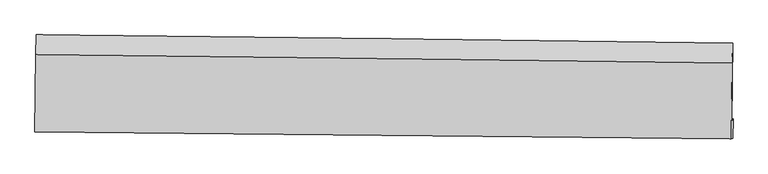
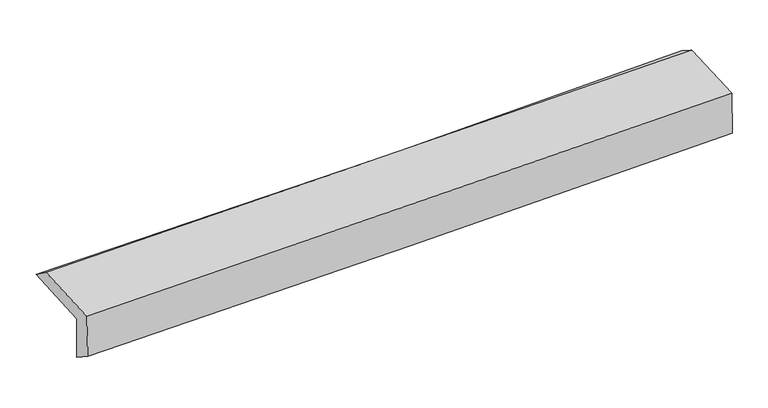
"""IFC4 building model written with IfcOpenShell, lengths in millimetres: proxy geometry."""

from ifc_helpers import new_model, si_unit, frame, origin, place, context, project, spatial, source, transform, mapped, element, save
from ifc_brep_helpers import plane_surface, spline_curve, spline_surface, advanced_brep


def generic_models_de7e47bc(model_context):
    return source(origin(), model_context, "Body", "AdvancedBrep", [
        advanced_brep(
        [(-3021.2626208, -1761.6851206, 1955.0847948), (-3014.7598843, -1088.1606537, 1982.5441311), (3006.088465, -1161.4581224, 2144.7885498), (2999.9144127, -1835.0195832, 2117.3361199), (-3011.0719759, -1742.9070124, 1557.7103111), (3010.2317792, -1816.0055194, 1714.9687015), (-3016.1367512, -1929.3475019, 1679.9698801), (3005.646355, -1987.4021017, 1827.7903266), (-3026.2737356, -1931.6647787, 2082.2025864), (2995.5013338, -1989.7195856, 2230.0711676), (-3019.798143, -1260.95176, 2109.547301), (3001.5151154, -1333.6429377, 2256.8109668)],
        [
            (0, 1),
            (1, 2, spline_curve(3, [(-3014.7598843, -1088.1606537, 1982.5441311), (-2010.707679136, -1096.915175533, 1988.436352562), (-1006.949288181, -1107.400479614, 2004.902587525), (1000.000173763, -1131.832899011, 2058.983632506), (2003.1912323, -1145.78008462, 2096.598870074), (3006.088465, -1161.4581224, 2144.7885498)], [4, 2, 4], [0.0, 9.881782183058515, 19.763764350336075])),
            (2, 3),
            (3, 0, spline_curve(3, [(2999.9144127, -1835.0195832, 2117.3361199), (1996.994264671, -1815.949004614, 2069.283329344), (993.76435759, -1800.302482852, 2031.735959775), (-1013.294666099, -1775.857800697, 1977.65260968), (-2017.123770194, -1767.05950143, 1961.116204458), (-3021.2626208, -1761.6851206, 1955.0847948)], [4, 2, 4], [0.0, 9.88198216727756, 19.763764350336075])),
            (4, 0),
            (3, 5),
            (5, 4, spline_curve(3, [(3010.2317792, -1816.0055194, 1714.9687015), (2007.333192399, -1796.895618376, 1666.08374078), (1004.103505502, -1781.249098882, 1628.536376815), (-1002.997759584, -1756.883069871, 1576.117372399), (-2006.869324192, -1748.163420562, 1561.245272868), (-3011.0719759, -1742.9070124, 1557.7103111)], [4, 2, 4], [0.0, 9.882309763921583, 19.764419536994467])),
            (6, 4),
            (5, 7),
            (7, 6, spline_curve(3, [(3005.646355, -1987.4021017, 1827.7903266), (2002.282280873, -1976.286205928, 1793.580887982), (998.7799059, -1965.890333091, 1764.157722038), (-1008.481135365, -1946.538828922, 1714.884433345), (-2012.23979559, -1937.583168756, 1695.034117581), (-3016.1367512, -1929.3475019, 1679.9698801)], [4, 2, 4], [0.0, 9.882053531753808, 19.76390707784435])),
            (8, 6),
            (7, 9),
            (9, 8, spline_curve(3, [(2995.5013338, -1989.7195856, 2230.0711676), (1991.970130678, -1978.642152819, 2202.53624388), (988.384861841, -1968.265494069, 2176.446290009), (-1018.873496933, -1948.913919945, 2127.156821738), (-2022.546584441, -1939.938976734, 2103.957248067), (-3026.2737356, -1931.6647787, 2082.2025864)], [4, 2, 4], [0.0, 9.881841317269462, 19.7634826531703])),
            (10, 8),
            (9, 11),
            (11, 10, spline_curve(3, [(3001.5151154, -1333.6429377, 2256.8109668), (1998.072092286, -1318.808023351, 2229.430561352), (994.569397771, -1305.332920383, 2203.468276932), (-1012.535024021, -1281.102582797, 2154.380445574), (-2016.136749042, -1270.347293281, 2131.254841619), (-3019.798143, -1260.95176, 2109.547301)], [4, 2, 4], [0.0, 9.881523840849475, 19.762847706755178])),
            (1, 10),
            (11, 2),
        ],
        [
            spline_surface(3, 3, [[(-3021.2626208, -1761.6851206, 1955.0847948), (-2017.123770136, -1767.059501444, 1961.116204409), (-1013.294666122, -1775.857800645, 1977.65260981), (993.764357613, -1800.302482904, 2031.735959645), (1996.994264703, -1815.949004614, 2069.283329278), (2999.9144127, -1835.0195832, 2117.3361199)], [(-3019.09504194, -1537.176964966, 1964.237906906), (-2014.985073108, -1543.678059467, 1970.222920421), (-1011.17954009, -1553.03869361, 1986.735935699), (995.842962954, -1577.479288285, 2040.81851723), (1999.059920564, -1592.559364625, 2078.388509611), (3001.972430131, -1610.499096284, 2126.486929885)], [(-3016.92746316, -1312.668809334, 1973.391018994), (-2012.846376158, -1320.296617491, 1979.329636413), (-1009.064414072, -1330.219586594, 1995.819261666), (997.921568281, -1354.656093685, 2049.901074892), (2001.125576431, -1369.169724585, 2087.493689888), (3004.030447569, -1385.978609316, 2135.637739815)], [(-3014.7598843, -1088.1606537, 1982.5441311), (-2010.70767913, -1096.915175513, 1988.436352424), (-1006.94928804, -1107.400479559, 2004.902587555), (1000.000173622, -1131.832899066, 2058.983632476), (2003.191232292, -1145.780084597, 2096.598870221), (3006.088465, -1161.4581224, 2144.7885498)]], [4, 4], [4, 2, 4], [0.0, 2.195039937041515], [0.0, 9.881782183058515, 19.763764350336075]),
            spline_surface(3, 3, [[(-3011.0719759, -1742.9070124, 1557.7103111), (-2006.869324304, -1748.1634204, 1561.245272872), (-1002.997759604, -1756.883069971, 1576.117372308), (1004.103505522, -1781.249098782, 1628.536376906), (2007.333192472, -1796.895618234, 1666.083740916), (3010.2317792, -1816.0055194, 1714.9687015)], [(-3014.468857533, -1749.166381812, 1690.168472335), (-2010.287472914, -1754.462114093, 1694.535583387), (-1006.430061783, -1763.207980193, 1709.962451495), (1000.657122879, -1787.60022682, 1762.936237839), (2003.886883223, -1803.246747029, 1800.483603695), (3006.79265704, -1822.343540668, 1849.091174292)], [(-3017.865739167, -1755.425751188, 1822.626633565), (-2013.705621525, -1760.760807751, 1827.825893895), (-1009.862363943, -1769.532890423, 1843.807530623), (997.210740256, -1793.951354867, 1897.336098712), (2000.440573953, -1809.59787582, 1934.883466499), (3003.35353486, -1828.681561932, 1983.213647108)], [(-3021.2626208, -1761.6851206, 1955.0847948), (-2017.123770136, -1767.059501444, 1961.116204409), (-1013.294666122, -1775.857800645, 1977.65260981), (993.764357613, -1800.302482904, 2031.735959645), (1996.994264703, -1815.949004614, 2069.283329278), (2999.9144127, -1835.0195832, 2117.3361199)]], [4, 4], [4, 2, 4], [0.0, 1.3220097130149702], [0.0, 9.882109773072884, 19.764419536994467]),
            spline_surface(3, 3, [[(-3016.1367512, -1929.3475019, 1679.9698801), (-2012.239795524, -1937.5831686, 1695.034117418), (-1008.48113523, -1946.538828943, 1714.88443347), (998.779905764, -1965.89033307, 1764.157721913), (2002.282280877, -1976.286205989, 1793.580888034), (3005.646355, -1987.4021017, 1827.7903266)], [(-3014.448492774, -1867.200672077, 1639.21669044), (-2010.449638458, -1874.443252544, 1650.43783591), (-1006.653343364, -1883.320242598, 1668.628746397), (1000.554439008, -1904.343254953, 1718.950606892), (2003.965918097, -1916.4893434, 1751.081839014), (3007.174829755, -1930.269907596, 1790.183118253)], [(-3012.760234326, -1805.053842223, 1598.46350076), (-2008.65948137, -1811.303336456, 1605.841554381), (-1004.82555147, -1820.101656316, 1622.373059381), (1002.328972279, -1842.796176899, 1673.743491927), (2005.649555252, -1856.692480823, 1708.582789936), (3008.703304445, -1873.137713504, 1752.575909847)], [(-3011.0719759, -1742.9070124, 1557.7103111), (-2006.869324304, -1748.1634204, 1561.245272872), (-1002.997759604, -1756.883069971, 1576.117372308), (1004.103505522, -1781.249098782, 1628.536376906), (2007.333192472, -1796.895618234, 1666.083740916), (3010.2317792, -1816.0055194, 1714.9687015)]], [4, 4], [4, 2, 4], [0.0, 0.7615222996778469], [0.0, 9.881853546090543, 19.76390707784435]),
            spline_surface(3, 3, [[(-3026.2737356, -1931.6647787, 2082.2025864), (-2022.546584433, -1939.93897661, 2103.957248228), (-1018.873496874, -1948.913920032, 2127.156821582), (988.384861781, -1968.265493981, 2176.446290165), (1991.970130689, -1978.642152834, 2202.536243878), (2995.5013338, -1989.7195856, 2230.0711676)], [(-3022.894740811, -1930.892353102, 1948.125017622), (-2019.110988141, -1939.153707276, 1967.649537946), (-1015.409376304, -1948.122223011, 1989.732692218), (991.849876464, -1967.473773686, 2039.016767421), (1995.40751407, -1977.856837212, 2066.217791916), (2998.883007519, -1988.947090959, 2095.977553919)], [(-3019.515745989, -1930.119927498, 1814.047448878), (-2015.675391816, -1938.368437935, 1831.3418277), (-1011.945255799, -1947.330525964, 1852.308562834), (995.314891082, -1966.682053365, 1901.587244657), (1998.844897495, -1977.071521611, 1929.899339996), (3002.264681281, -1988.174596341, 1961.883940281)], [(-3016.1367512, -1929.3475019, 1679.9698801), (-2012.239795524, -1937.5831686, 1695.034117418), (-1008.48113523, -1946.538828943, 1714.88443347), (998.779905764, -1965.89033307, 1764.157721913), (2002.282280877, -1976.286205989, 1793.580888034), (3005.646355, -1987.4021017, 1827.7903266)]], [4, 4], [4, 2, 4], [0.0, 1.353078447540147], [0.0, 9.881641335900838, 19.7634826531703]),
            spline_surface(3, 3, [[(-3019.798143, -1260.95176, 2109.547301), (-2016.136749175, -1270.347293166, 2131.254841661), (-1012.535024063, -1281.102582825, 2154.380445656), (994.569397813, -1305.332920356, 2203.46827685), (1998.07209218, -1318.808023261, 2229.430561473), (3001.5151154, -1333.6429377, 2256.8109668)], [(-3021.95667388, -1484.522766207, 2100.432396119), (-2018.27336094, -1493.544520954, 2122.155643836), (-1014.647848336, -1503.706361886, 2145.305904305), (992.507885799, -1526.310444889, 2194.460947961), (1996.03810501, -1538.752733103, 2220.465788936), (2999.510521527, -1552.335153651, 2247.897700394)], [(-3024.11520472, -1708.093772493, 2091.317491281), (-2020.409972667, -1716.741748822, 2113.056446053), (-1016.7606726, -1726.310140971, 2136.231362934), (990.446373795, -1747.287969448, 2185.453619054), (1994.004117859, -1758.697442992, 2211.501016415), (2997.505927673, -1771.027369649, 2238.984434006)], [(-3026.2737356, -1931.6647787, 2082.2025864), (-2022.546584433, -1939.93897661, 2103.957248228), (-1018.873496874, -1948.913920032, 2127.156821582), (988.384861781, -1968.265493981, 2176.446290165), (1991.970130689, -1978.642152834, 2202.536243878), (2995.5013338, -1989.7195856, 2230.0711676)]], [4, 4], [4, 2, 4], [0.0, 2.1848881954832557], [0.0, 9.881323865905703, 19.762847706755178]),
            spline_surface(3, 3, [[(-3014.7598843, -1088.1606537, 1982.5441311), (-2010.70767913, -1096.915175513, 1988.436352424), (-1006.94928804, -1107.400479559, 2004.902587555), (1000.000173622, -1131.832899066, 2058.983632476), (2003.191232292, -1145.780084597, 2096.598870221), (3006.088465, -1161.4581224, 2144.7885498)], [(-3016.439303862, -1145.757689136, 2024.878521078), (-2012.517369141, -1154.7258814, 2036.042515514), (-1008.811200054, -1165.301180677, 2054.728540268), (998.189915013, -1189.666239525, 2107.145180613), (2001.484852249, -1203.45606416, 2140.876100628), (3004.564015128, -1218.853060842, 2182.129355457)], [(-3018.118723438, -1203.354724564, 2067.212911022), (-2014.327059164, -1212.536587279, 2083.648678571), (-1010.673112049, -1223.201881707, 2104.554492943), (996.379656423, -1247.499579897, 2155.306728713), (1999.778472223, -1261.132043697, 2185.153331066), (3003.039565272, -1276.247999258, 2219.470161143)], [(-3019.798143, -1260.95176, 2109.547301), (-2016.136749175, -1270.347293166, 2131.254841661), (-1012.535024063, -1281.102582825, 2154.380445656), (994.569397813, -1305.332920356, 2203.46827685), (1998.07209218, -1318.808023261, 2229.430561473), (3001.5151154, -1333.6429377, 2256.8109668)]], [4, 4], [4, 2, 4], [0.0, 0.7464984519665396], [0.0, 9.88117591958396, 19.762551811117604]),
            plane_surface(frame((3003.1495769, -1687.207975, 2048.6276387), z_axis=(0.9996317540253953, -0.010187976904888074, 0.02515077475341797), x_axis=(0.025210319352215595, 0.0057589342453603165, -0.9996655813193315))),
            plane_surface(frame((-3018.2171851, -1619.1194712, 1894.5098341), z_axis=(-0.9996271636684219, 0.010675766150655385, -0.025130890818329442), x_axis=(-0.009646326190857393, -0.9991234654010167, -0.040733883636144885))),
        ],
        [
            (0, [[1, 2, 3, 4]]),
            (1, [[5, -4, 6, 7]]),
            (2, [[8, -7, 9, 10]]),
            (3, [[11, -10, 12, 13]]),
            (4, [[14, -13, 15, 16]]),
            (5, [[17, -16, 18, -2]]),
            (6, [[-12, -9, -6, -3, -18, -15]]),
            (7, [[-1, -5, -8, -11, -14, -17]]),
        ],
    ),
    ])


if __name__ == "__main__":
    model = new_model("IFC4")
    model_context = context("Model", 3, world=origin())
    ifc_project = project(units=[si_unit("LENGTHUNIT", "METRE", prefix="MILLI")], contexts=[model_context])
    site = spatial("IfcSite", under=ifc_project)
    building = spatial("IfcBuilding", under=site)
    placement = place(None, origin())
    generic_models_shape = generic_models_de7e47bc(model_context)
    element("IfcBuildingElementProxy", 1, Name="Generic Models", at=placement, inside=building, context=model_context, shape_type="MappedRepresentation", body=[
        mapped(generic_models_shape, transform((0.0, 0.0, 0.0), x_axis=(1.0, 0.0, 0.0), y_axis=(0.0, 1.0, 0.0), z_axis=(0.0, 0.0, 1.0))),
    ])
    save(model, "model.ifc")
